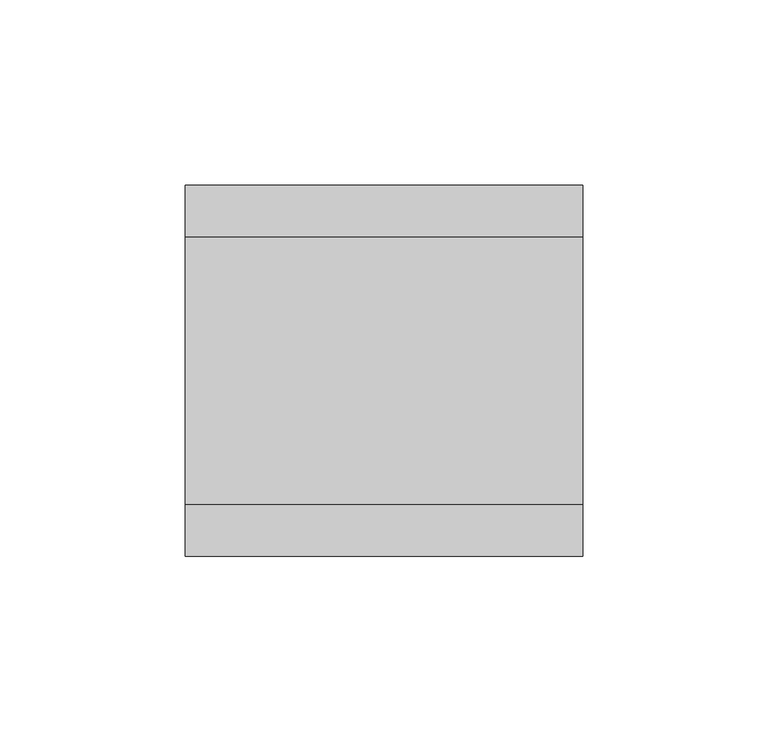
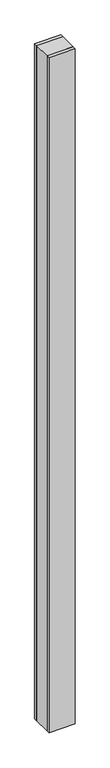
"""IFC4 building model written with IfcOpenShell, lengths in millimetres: plate geometry."""

from ifc_helpers import new_model, si_unit, origin, origin_with_axes, place, context, project, spatial, polyline, outline, extrude, source, transform, mapped, element, save


def plate_b9c8ea1d(model_context):
    return source(origin(), model_context, "Body", "SweptSolid", [
        extrude(outline(polyline([(53.5363845, 36.0), (53.5363845, -36.0), (-53.5363845, -36.0), (-53.5363845, 36.0), (53.5363845, 36.0)])), origin_with_axes(), (0.0, 0.0, 1.0), 2925.7),
        extrude(outline(polyline([(53.5363845, 50.0), (53.5363845, 36.0), (-53.5363845, 36.0), (-53.5363845, 50.0), (53.5363845, 50.0)])), origin_with_axes(), (0.0, 0.0, 1.0), 2925.7),
        extrude(outline(polyline([(53.5363845, -36.0), (53.5363845, -50.0), (-53.5363845, -50.0), (-53.5363845, -36.0), (53.5363845, -36.0)])), origin_with_axes(), (0.0, 0.0, 1.0), 2925.7),
    ])


if __name__ == "__main__":
    model = new_model("IFC4")
    model_context = context("Model", 3, world=origin())
    ifc_project = project(units=[si_unit("LENGTHUNIT", "METRE", prefix="MILLI")], contexts=[model_context])
    site = spatial("IfcSite", under=ifc_project)
    building = spatial("IfcBuilding", under=site)
    placement = place(None, origin())
    plate_shape = plate_b9c8ea1d(model_context)
    element("IfcPlate", 1, at=placement, inside=building, context=model_context, shape_type="MappedRepresentation", body=[
        mapped(plate_shape, transform((0.0, 0.0, 0.0), x_axis=(1.0, 0.0, 0.0), y_axis=(0.0, 1.0, 0.0), z_axis=(0.0, 0.0, 1.0))),
    ])
    save(model, "model.ifc")
